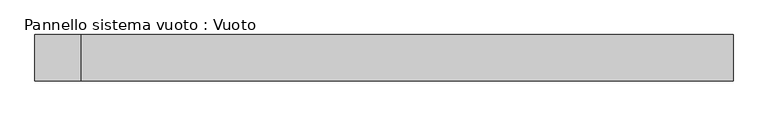
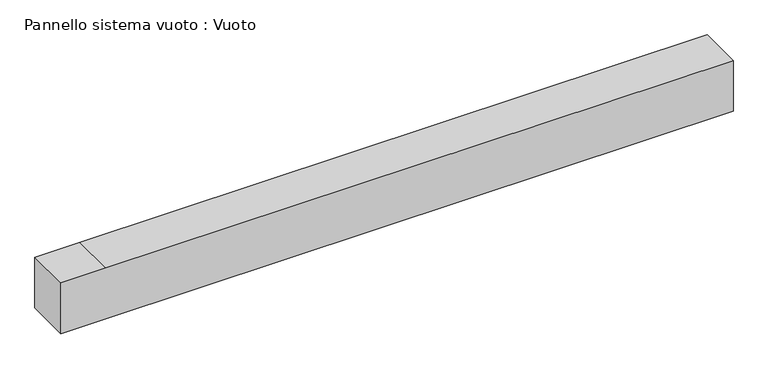
"""IFC4 building model written with IfcOpenShell, lengths in millimetres: plate geometry, Pannello sistema vuoto : Vuoto."""

from ifc_helpers import new_model, si_unit, frame, origin, place, context, project, spatial, polyline, outline, extrude, source, transform, mapped, element, save


def pannello_sistema_vuoto_vuoto_72fa4ed1(model_context):
    return source(origin(), model_context, "Body", "SweptSolid", [
        extrude(outline(polyline([(0.0, -750.0873672), (0.0, -650.0), (0.0, 750.0873672), (120.0, 750.0873672), (120.0, -650.0), (120.0, -750.0873672), (0.0, -750.0873672)])), frame((0.0, 50.0, 0.0), z_axis=(0.0, 1.0, 0.0), x_axis=(0.0, 0.0, 1.0)), (0.0, 0.0, 1.0), 100.0),
    ])


if __name__ == "__main__":
    model = new_model("IFC4")
    model_context = context("Model", 3, world=origin())
    ifc_project = project(units=[si_unit("LENGTHUNIT", "METRE", prefix="MILLI")], contexts=[model_context])
    site = spatial("IfcSite", under=ifc_project)
    building = spatial("IfcBuilding", under=site)
    placement = place(None, origin())
    pannello_sistema_vuoto_vuoto_shape = pannello_sistema_vuoto_vuoto_72fa4ed1(model_context)
    element("IfcPlate", 1, ObjectType="Pannello sistema vuoto : Vuoto", at=placement, inside=building, context=model_context, shape_type="MappedRepresentation", body=[
        mapped(pannello_sistema_vuoto_vuoto_shape, transform((0.0, 0.0, 0.0), x_axis=(1.0, 0.0, 0.0), y_axis=(0.0, 1.0, 0.0), z_axis=(0.0, 0.0, 1.0))),
    ])
    save(model, "model.ifc")
